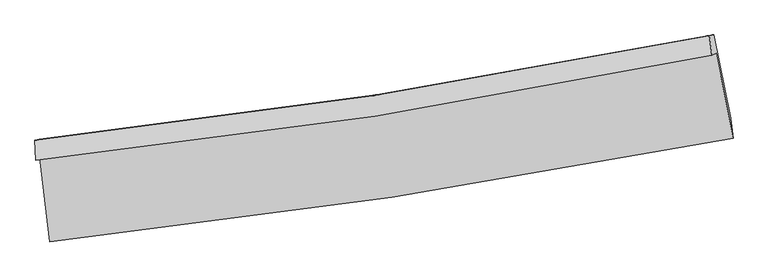
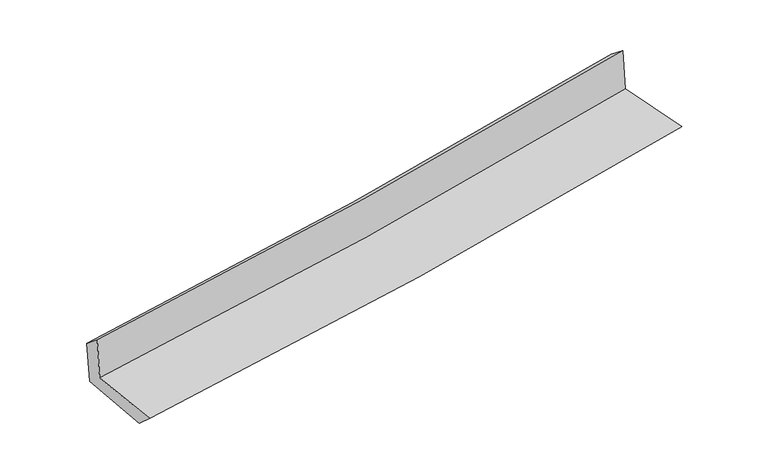
"""IFC4 building model written with IfcOpenShell, lengths in millimetres: proxy geometry."""

from ifc_helpers import new_model, si_unit, frame, origin, place, context, project, spatial, source, transform, mapped, element, save
from ifc_brep_helpers import plane_surface, spline_curve, spline_surface, advanced_brep


def generic_models_866e3afd(model_context):
    return source(origin(), model_context, "Body", "AdvancedBrep", [
        advanced_brep(
        [(-2668.9971758, -1887.5355985, 1672.8067743), (-2591.9557312, -2546.6344721, 1651.6303672), (2748.813292, -1735.7817451, 2114.2926924), (2615.3211947, -1071.6561709, 2127.4791997), (-2700.5599734, -1906.8605522, 2061.7064164), (2583.1664834, -1087.9824651, 2516.3194487), (-2707.4992897, -1751.3250178, 1937.2413094), (2563.7943259, -937.7004085, 2400.3107092), (-2675.0689855, -1742.7361054, 1552.4585886), (2595.8015399, -929.3134813, 2030.4583366), (-2597.2479245, -2394.3649525, 1512.4872926), (2729.1480566, -1582.3941803, 1994.7089847)],
        [
            (0, 1),
            (1, 2, spline_curve(3, [(-2591.9557312, -2546.6344721, 1651.6303672), (-1697.482485016, -2449.600319598, 1725.851366886), (-805.962215679, -2333.6648893, 1801.446569512), (974.315050221, -2063.514583186, 1955.657606966), (1863.051122248, -1909.165771361, 2034.28317919), (2748.813292, -1735.7817451, 2114.2926924)], [4, 2, 4], [0.0, 8.83522051030177, 17.701689392133623])),
            (2, 3),
            (3, 0, spline_curve(3, [(2615.3211947, -1071.6561709, 2127.4791997), (1739.193958668, -1246.675209785, 2049.973592375), (859.987693829, -1402.260457121, 1973.265940929), (-901.473427979, -1674.083525677, 1821.714080168), (-1783.706619911, -1790.458087447, 1746.864256731), (-2668.9971758, -1887.5355985, 1672.8067743)], [4, 2, 4], [0.0, 8.866468881831853, 17.701689392133623])),
            (4, 0),
            (3, 5),
            (5, 4, spline_curve(3, [(2583.1664834, -1087.9824651, 2516.3194487), (1707.52675279, -1269.353887864, 2445.219507688), (828.613310806, -1428.360491703, 2371.714002211), (-932.651876036, -1701.162489615, 2220.159398728), (-1814.980586499, -1815.115248428, 2142.127226514), (-2700.5599734, -1906.8605522, 2061.7064164)], [4, 2, 4], [0.0, 8.821197760157549, 17.611306699204523])),
            (6, 4),
            (5, 7),
            (7, 6, spline_curve(3, [(2563.7943259, -937.7004085, 2400.3107092), (1689.565476326, -1112.372251541, 2324.579239196), (812.395960942, -1267.595641684, 2248.054869988), (-944.722602108, -1538.667000689, 2093.692824062), (-1824.650958471, -1654.651813761, 2015.860727041), (-2707.4992897, -1751.3250178, 1937.2413094)], [4, 2, 4], [0.0, 8.810980402695897, 17.59090799363131])),
            (8, 6),
            (7, 9),
            (9, 8, spline_curve(3, [(2595.8015399, -929.3134813, 2030.4583366), (1721.509780342, -1103.993442855, 1953.874139964), (844.344247411, -1259.203993507, 1875.675567619), (-912.632814765, -1530.20787658, 1716.330959031), (-1792.424123945, -1646.138200756, 1635.196282137), (-2675.0689855, -1742.7361054, 1552.4585886)], [4, 2, 4], [0.0, 8.80117431688751, 17.571330381907167])),
            (10, 8),
            (9, 11),
            (11, 10, spline_curve(3, [(2729.1480566, -1582.3941803, 1994.7089847), (1845.511553108, -1757.237179048, 1917.393493902), (959.038424039, -1912.407689498, 1838.476848046), (-816.446862065, -2182.926193018, 1677.725017739), (-1705.439060248, -2298.412606883, 1595.901099529), (-2597.2479245, -2394.3649525, 1512.4872926)], [4, 2, 4], [0.0, 8.846955439221189, 17.66273127874386])),
            (1, 10),
            (11, 2),
        ],
        [
            spline_surface(3, 3, [[(-2668.9971758, -1887.5355985, 1672.8067743), (-1783.70661991, -1790.458087458, 1746.864256699), (-901.473427889, -1674.083525576, 1821.714080287), (859.987693739, -1402.260457222, 1973.26594081), (1739.193958538, -1246.675209903, 2049.973592357), (2615.3211947, -1071.6561709, 2127.4791997)], [(-2643.316694268, -2107.235223044, 1665.747971955), (-1754.965241643, -2010.172164829, 1739.859960068), (-869.636357185, -1893.94398015, 1814.958243397), (898.096812617, -1622.678499249, 1967.396496182), (1780.479679719, -1467.505397009, 2044.743454629), (2659.81856045, -1293.031362291, 2123.083697276)], [(-2617.636212732, -2326.934847556, 1658.689169545), (-1726.22386337, -2229.886242167, 1732.855663371), (-837.799286508, -2113.804434667, 1808.202406475), (936.205931468, -1843.096541218, 1961.527051523), (1821.76540095, -1688.335584143, 2039.513316872), (2704.31592625, -1514.406553709, 2118.688194824)], [(-2591.9557312, -2546.6344721, 1651.6303672), (-1697.482485103, -2449.600319539, 1725.85136674), (-805.962215803, -2333.664889241, 1801.446569584), (974.315050345, -2063.514583245, 1955.657606895), (1863.05112213, -1909.165771249, 2034.283179144), (2748.813292, -1735.7817451, 2114.2926924)]], [4, 4], [4, 2, 4], [0.0, 2.1948034163764185], [0.0, 8.83522051030177, 17.701689392133623]),
            spline_surface(3, 3, [[(-2700.5599734, -1906.8605522, 2061.7064164), (-1814.98058636, -1815.115248424, 2142.127226588), (-932.651876059, -1701.162489714, 2220.159398697), (828.613310829, -1428.360491603, 2371.714002242), (1707.526752797, -1269.353887958, 2445.219507604), (2583.1664834, -1087.9824651, 2516.3194487)], [(-2690.039040864, -1900.418900964, 1932.073202345), (-1804.555930874, -1806.896194766, 2010.37290327), (-922.259060026, -1692.136168318, 2087.344292565), (839.071438442, -1419.660480126, 2238.89798177), (1718.082488054, -1261.794328609, 2313.470869184), (2593.88472051, -1082.540367036, 2386.706032362)], [(-2679.518108336, -1893.977249736, 1802.439988355), (-1794.131275396, -1798.677141116, 1878.618580018), (-911.866243922, -1683.109846973, 1954.529186419), (849.529566126, -1410.9604687, 2106.081961282), (1728.638223281, -1254.234769252, 2181.722230778), (2604.60295759, -1077.098268964, 2257.092616038)], [(-2668.9971758, -1887.5355985, 1672.8067743), (-1783.70661991, -1790.458087458, 1746.864256699), (-901.473427889, -1674.083525576, 1821.714080287), (859.987693739, -1402.260457222, 1973.26594081), (1739.193958538, -1246.675209903, 2049.973592357), (2615.3211947, -1071.6561709, 2127.4791997)]], [4, 4], [4, 2, 4], [0.0, 1.3141592026942004], [0.0, 8.790108939046974, 17.611306699204523]),
            spline_surface(3, 3, [[(-2707.4992897, -1751.3250178, 1937.2413094), (-1824.650958547, -1654.651813678, 2015.860726961), (-944.722602141, -1538.667000733, 2093.692824206), (812.395960975, -1267.59564164, 2248.054869844), (1689.565476407, -1112.372251478, 2324.579239185), (2563.7943259, -937.7004085, 2400.3107092)], [(-2705.186184256, -1803.17019594, 1978.729678409), (-1821.427501141, -1708.139625266, 2057.949560179), (-940.699026768, -1592.832163715, 2135.848349014), (817.801744272, -1321.18392495, 2289.274580621), (1695.552568532, -1164.699463635, 2364.792661975), (2570.251711728, -987.794427364, 2438.980289018)], [(-2702.873078844, -1855.01537406, 2020.218047391), (-1818.204043766, -1761.627436835, 2100.03839337), (-936.675451432, -1646.997326731, 2178.003873889), (823.207527532, -1374.772208293, 2330.494291465), (1701.539660672, -1217.026675801, 2405.006084813), (2576.709097572, -1037.888446236, 2477.649868882)], [(-2700.5599734, -1906.8605522, 2061.7064164), (-1814.98058636, -1815.115248424, 2142.127226588), (-932.651876059, -1701.162489714, 2220.159398697), (828.613310829, -1428.360491603, 2371.714002242), (1707.526752797, -1269.353887958, 2445.219507604), (2583.1664834, -1087.9824651, 2516.3194487)]], [4, 4], [4, 2, 4], [0.0, 0.6720762697614739], [0.0, 8.779927590935412, 17.59090799363131]),
            spline_surface(3, 3, [[(-2675.0689855, -1742.7361054, 1552.4585886), (-1792.424123872, -1646.138200653, 1635.19628206), (-912.632814861, -1530.207876654, 1716.330959095), (844.344247507, -1259.203993433, 1875.675567555), (1721.509780283, -1103.993442713, 1953.874139871), (2595.8015399, -929.3134813, 2030.4583366)], [(-2685.879086925, -1745.599076193, 1680.71949552), (-1803.166402123, -1648.976071654, 1762.084430347), (-923.32941061, -1533.027584696, 1842.118247463), (833.694818674, -1262.001209517, 1999.802001649), (1710.861678974, -1106.786378955, 2077.442506311), (2585.13246855, -932.109123687, 2153.742460802)], [(-2696.689188275, -1748.462047007, 1808.98040248), (-1813.908680297, -1651.813942677, 1888.972578674), (-934.026006392, -1535.847292691, 1967.905535838), (823.045389808, -1264.798425556, 2123.92843575), (1700.213577716, -1109.579315236, 2201.010872745), (2574.46339725, -934.904766113, 2277.026584998)], [(-2707.4992897, -1751.3250178, 1937.2413094), (-1824.650958547, -1654.651813678, 2015.860726961), (-944.722602141, -1538.667000733, 2093.692824206), (812.395960975, -1267.59564164, 2248.054869844), (1689.565476407, -1112.372251478, 2324.579239185), (2563.7943259, -937.7004085, 2400.3107092)]], [4, 4], [4, 2, 4], [0.0, 1.2346492062890033], [0.0, 8.770156065019657, 17.571330381907167]),
            spline_surface(3, 3, [[(-2597.2479245, -2394.3649525, 1512.4872926), (-1705.439060258, -2298.412606884, 1595.901099615), (-816.446862129, -2182.926193094, 1677.725017826), (959.038424103, -1912.407689421, 1838.476847958), (1845.51155297, -1757.237179104, 1917.393493808), (2729.1480566, -1582.3941803, 1994.7089847)], [(-2623.18827815, -2177.155336808, 1525.811057944), (-1734.434081445, -2080.987804816, 1608.999493774), (-848.508846397, -1965.353420944, 1690.593664931), (920.80703188, -1694.673124088, 1850.876421173), (1804.177628745, -1539.489266972, 1929.553709178), (2684.699217704, -1364.700613964, 2006.625435349)], [(-2649.12863185, -1959.945721092, 1539.134823256), (-1763.429102685, -1863.563002722, 1622.097887901), (-880.570830592, -1747.780648804, 1703.46231199), (882.57563973, -1476.938558766, 1863.275994341), (1762.843704508, -1321.741354846, 1941.713924501), (2640.250378796, -1147.007047636, 2018.541885951)], [(-2675.0689855, -1742.7361054, 1552.4585886), (-1792.424123872, -1646.138200653, 1635.19628206), (-912.632814861, -1530.207876654, 1716.330959095), (844.344247507, -1259.203993433, 1875.675567555), (1721.509780283, -1103.993442713, 1953.874139871), (2595.8015399, -929.3134813, 2030.4583366)]], [4, 4], [4, 2, 4], [0.0, 2.17359069643353], [0.0, 8.81577583952267, 17.66273127874386]),
            spline_surface(3, 3, [[(-2591.9557312, -2546.6344721, 1651.6303672), (-1697.482485103, -2449.600319539, 1725.85136674), (-805.962215803, -2333.664889241, 1801.446569584), (974.315050345, -2063.514583245, 1955.657606895), (1863.05112213, -1909.165771249, 2034.283179144), (2748.813292, -1735.7817451, 2114.2926924)], [(-2593.719795636, -2495.877965551, 1605.249342327), (-1700.134676824, -2399.204415305, 1682.534611025), (-809.457097896, -2283.418657189, 1760.206052325), (969.222841614, -2013.145618634, 1916.59735391), (1857.204599102, -1858.522907225, 1995.319950692), (2742.258213558, -1684.652556858, 2074.431456494)], [(-2595.483860064, -2445.121459049, 1558.868317473), (-1702.786868536, -2348.808511118, 1639.21785533), (-812.951980036, -2233.172425146, 1718.965535085), (964.130632835, -1962.776654032, 1877.537100943), (1851.358075998, -1807.880043128, 1956.356722259), (2735.703135042, -1633.523368542, 2034.570220606)], [(-2597.2479245, -2394.3649525, 1512.4872926), (-1705.439060258, -2298.412606884, 1595.901099615), (-816.446862129, -2182.926193094, 1677.725017826), (959.038424103, -1912.407689421, 1838.476847958), (1845.51155297, -1757.237179104, 1917.393493808), (2729.1480566, -1582.3941803, 1994.7089847)]], [4, 4], [4, 2, 4], [0.0, 0.6349058690181035], [0.0, 8.870620591054786, 17.772614756499536]),
            plane_surface(frame((2639.3408154, -1224.1380752, 2197.2615619), z_axis=(0.9768445089498042, 0.1945838248067753, 0.08894908913632525), x_axis=(-0.0861962653424856, -0.022586214401262447, 0.9960221216218182))),
            plane_surface(frame((-2656.88818, -2038.2427831, 1731.3884581), z_axis=(-0.989876857195944, -0.11294425431629763, -0.0859500029366872), x_axis=(-0.11603954415961922, 0.9927323306843364, 0.03189582739596492))),
        ],
        [
            (0, [[1, 2, 3, 4]]),
            (1, [[5, -4, 6, 7]]),
            (2, [[8, -7, 9, 10]]),
            (3, [[11, -10, 12, 13]]),
            (4, [[14, -13, 15, 16]]),
            (5, [[17, -16, 18, -2]]),
            (6, [[-12, -9, -6, -3, -18, -15]]),
            (7, [[-1, -5, -8, -11, -14, -17]]),
        ],
    ),
    ])


if __name__ == "__main__":
    model = new_model("IFC4")
    model_context = context("Model", 3, world=origin())
    ifc_project = project(units=[si_unit("LENGTHUNIT", "METRE", prefix="MILLI")], contexts=[model_context])
    site = spatial("IfcSite", under=ifc_project)
    building = spatial("IfcBuilding", under=site)
    placement = place(None, origin())
    generic_models_shape = generic_models_866e3afd(model_context)
    element("IfcBuildingElementProxy", 1, Name="Generic Models", at=placement, inside=building, context=model_context, shape_type="MappedRepresentation", body=[
        mapped(generic_models_shape, transform((0.0, 0.0, 0.0), x_axis=(1.0, 0.0, 0.0), y_axis=(0.0, 1.0, 0.0), z_axis=(0.0, 0.0, 1.0))),
    ])
    save(model, "model.ifc")
